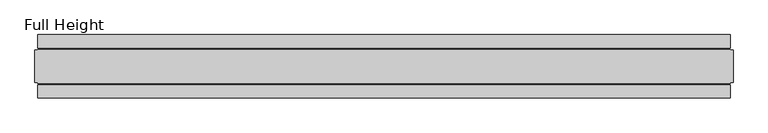
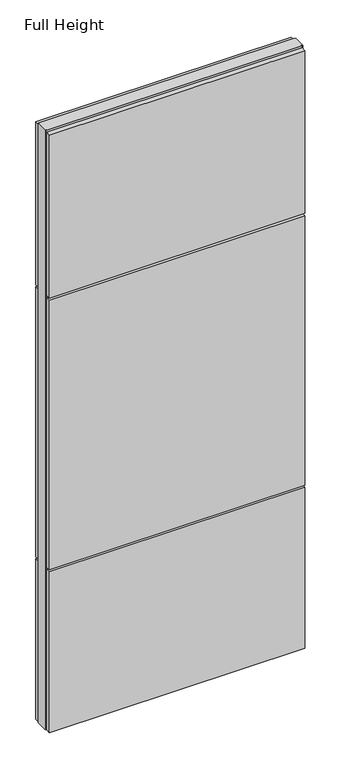
"""IFC4 building model written with IfcOpenShell, lengths in millimetres: plate geometry, Full Height."""

from ifc_helpers import new_model, si_unit, frame, origin, origin_with_axes, place, context, project, spatial, polyline, outline, extrude, source, transform, mapped, element, save


def full_height_3b15edf0(model_context):
    return source(origin(), model_context, "Body", "SweptSolid", [
        extrude(outline(polyline([(541.528, 28.956), (-541.528, 28.956), (-541.528, 49.53), (541.528, 49.53), (541.528, 28.956)])), frame((0.0, 0.0, 1949.196), z_axis=(0.0, 0.0, 1.0), x_axis=(1.0, 0.0, 0.0)), (0.0, 0.0, 1.0), 729.996),
        extrude(outline(polyline([(541.528, 28.956), (-541.528, 28.956), (-541.528, 49.53), (541.528, 49.53), (541.528, 28.956)])), frame((0.0, 0.0, 729.996), z_axis=(0.0, 0.0, 1.0), x_axis=(1.0, 0.0, 0.0)), (0.0, 0.0, 1.0), 1210.056),
        extrude(outline(polyline([(541.528, 28.956), (-541.528, 28.956), (-541.528, 49.53), (541.528, 49.53), (541.528, 28.956)])), origin_with_axes(), (0.0, 0.0, 1.0), 720.852),
        extrude(outline(polyline([(541.528, -28.956), (541.528, -49.53), (-541.528, -49.53), (-541.528, -28.956), (541.528, -28.956)])), frame((0.0, 0.0, 1949.196), z_axis=(0.0, 0.0, 1.0), x_axis=(1.0, 0.0, 0.0)), (0.0, 0.0, 1.0), 729.996),
        extrude(outline(polyline([(541.528, -28.956), (541.528, -49.53), (-541.528, -49.53), (-541.528, -28.956), (541.528, -28.956)])), frame((0.0, 0.0, 729.996), z_axis=(0.0, 0.0, 1.0), x_axis=(1.0, 0.0, 0.0)), (0.0, 0.0, 1.0), 1210.056),
        extrude(outline(polyline([(541.528, -28.956), (541.528, -49.53), (-541.528, -49.53), (-541.528, -28.956), (541.528, -28.956)])), origin_with_axes(), (0.0, 0.0, 1.0), 720.852),
        extrude(outline(polyline([(541.528, -25.146), (541.528, -26.67), (-541.528, -26.67), (-541.528, -25.146), (-546.1, -25.146), (-546.1, 25.146), (-541.528, 25.146), (-541.528, 26.67), (541.528, 26.67), (541.528, 25.146), (546.1, 25.146), (546.1, -25.146), (541.528, -25.146)])), origin_with_axes(), (0.0, 0.0, 1.0), 2688.336),
    ])


if __name__ == "__main__":
    model = new_model("IFC4")
    model_context = context("Model", 3, world=origin())
    ifc_project = project(units=[si_unit("LENGTHUNIT", "METRE", prefix="MILLI")], contexts=[model_context])
    site = spatial("IfcSite", under=ifc_project)
    building = spatial("IfcBuilding", under=site)
    placement = place(None, origin())
    full_height_shape = full_height_3b15edf0(model_context)
    element("IfcPlate", 1, ObjectType="Full Height", at=placement, inside=building, context=model_context, shape_type="MappedRepresentation", body=[
        mapped(full_height_shape, transform((0.0, 0.0, 0.0), x_axis=(1.0, 0.0, 0.0), y_axis=(0.0, 1.0, 0.0), z_axis=(0.0, 0.0, 1.0))),
    ])
    save(model, "model.ifc")
